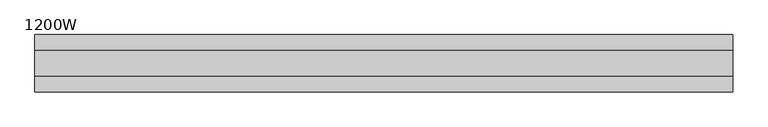
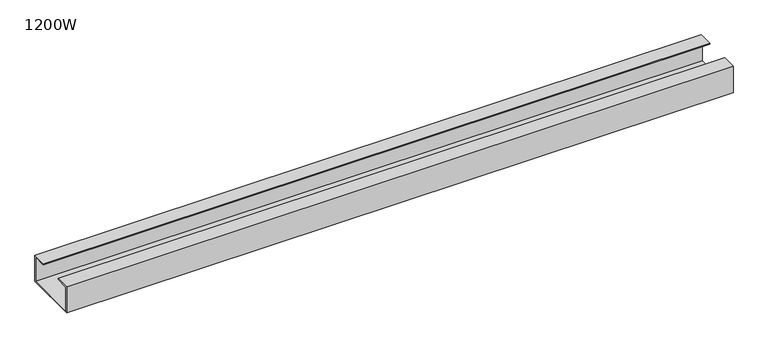
"""IFC4 building model written with IfcOpenShell, lengths in millimetres: furniture geometry, 1200W."""

from ifc_helpers import new_model, si_unit, frame, origin, place, context, project, spatial, polyline, outline, extrude, source, transform, mapped, element, save


def furniture_1200w_87ee805e(model_context):
    return source(origin(), model_context, "Body", "SweptSolid", [
        extrude(outline(polyline([(47.3, 667.0), (-47.3, 667.0), (-47.3, 715.0), (-22.0, 715.0), (-22.0, 713.0), (-45.3, 713.0), (-45.3, 669.0), (45.3, 669.0), (45.3, 713.0), (22.0, 713.0), (22.0, 715.0), (47.3, 715.0), (47.3, 667.0)])), frame((-575.0, 0.0, 0.0), z_axis=(1.0, 0.0, 0.0), x_axis=(0.0, 1.0, 0.0)), (0.0, 0.0, 1.0), 1150.0),
    ])


if __name__ == "__main__":
    model = new_model("IFC4")
    model_context = context("Model", 3, world=origin())
    ifc_project = project(units=[si_unit("LENGTHUNIT", "METRE", prefix="MILLI")], contexts=[model_context])
    site = spatial("IfcSite", under=ifc_project)
    building = spatial("IfcBuilding", under=site)
    placement = place(None, origin())
    furniture_1200w_shape = furniture_1200w_87ee805e(model_context)
    element("IfcFurniture", 1, ObjectType="1200W", at=placement, inside=building, context=model_context, shape_type="MappedRepresentation", body=[
        mapped(furniture_1200w_shape, transform((0.0, 0.0, 0.0), x_axis=(1.0, 0.0, 0.0), y_axis=(0.0, 1.0, 0.0), z_axis=(0.0, 0.0, 1.0))),
    ])
    save(model, "model.ifc")
